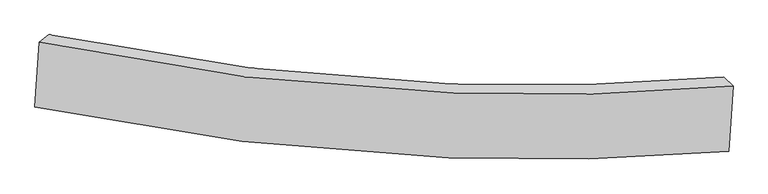
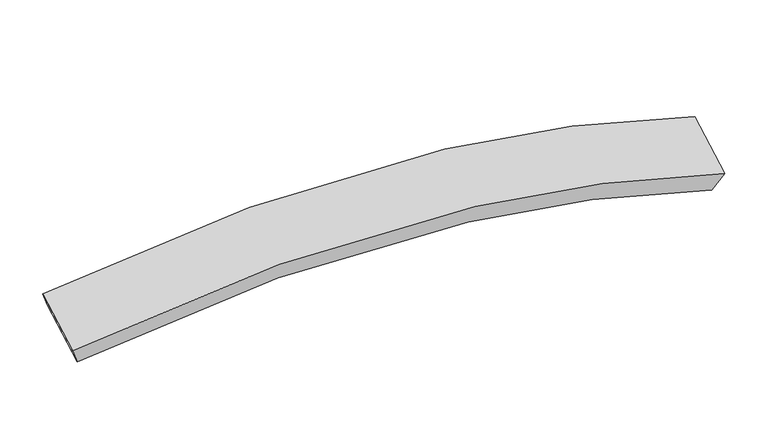
"""IFC4 building model written with IfcOpenShell, lengths in millimetres: proxy geometry."""

from ifc_helpers import new_model, si_unit, frame, origin, place, context, project, spatial, source, transform, mapped, element, save
from ifc_brep_helpers import plane_surface, spline_curve, spline_surface, advanced_brep


def generic_models_db684fbb(model_context):
    return source(origin(), model_context, "Body", "AdvancedBrep", [
        advanced_brep(
        [(2700.055434, -1570.0745795, 1283.2055264), (2738.1820299, -1023.4612456, 1499.8911041), (-3084.0904699, -653.6402498, 1573.4850029), (-3121.9699956, -1196.7113887, 1358.2036035), (2622.475225, -1494.3822668, 1105.9138094), (-3043.9321217, -1134.5742081, 1187.7246529), (2660.6018209, -947.7689329, 1322.5993871), (-3006.052596, -591.5030692, 1403.0060523)],
        [
            (0, 1),
            (1, 2, spline_curve(3, [(2738.1820299, -1023.4612456, 1499.8911041), (1957.717995249, -1091.224882797, 1794.558049227), (1174.239251011, -1111.161525074, 1973.642006654), (-763.078302014, -1042.461055701, 2130.059765984), (-1920.357057803, -899.250748039, 1975.507107982), (-3084.0904699, -653.6402498, 1573.4850029)], [4, 2, 4], [0.0, 7.9170525756599694, 19.501554471349106])),
            (2, 3),
            (3, 0, spline_curve(3, [(-3121.9699956, -1196.7113887, 1358.2036035), (-1958.210528799, -1441.948346992, 1760.373785161), (-800.950257121, -1585.423654825, 1914.821393264), (1136.261202897, -1655.64515964, 1757.800673173), (1919.676074073, -1636.624248843, 1578.353706137), (2700.055434, -1570.0745795, 1283.2055264)], [4, 2, 4], [0.0, 11.584501895689137, 19.501554471349106])),
            (4, 0),
            (3, 5),
            (5, 4, spline_curve(3, [(-3043.9321217, -1134.5742081, 1187.7246529), (-1910.875278009, -1370.383090401, 1571.513705651), (-784.383742694, -1508.436473437, 1717.697777042), (1100.91978869, -1576.274641034, 1563.798208851), (1863.230701926, -1558.157277359, 1390.343855939), (2622.475225, -1494.3822668, 1105.9138094)], [4, 2, 4], [0.0, 11.426643330280367, 19.23581258276314])),
            (6, 4),
            (5, 7),
            (7, 6, spline_curve(3, [(-3006.052596, -591.5030692, 1403.0060523), (-1873.021806967, -827.685491217, 1786.647028179), (-746.511787556, -965.473874203, 1932.93614996), (1138.897836782, -1031.791006376, 1779.639542366), (1901.272622855, -1012.757911131, 1606.548198993), (2660.6018209, -947.7689329, 1322.5993871)], [4, 2, 4], [0.0, 11.26883027217484, 18.970147301972744])),
            (1, 6),
            (7, 2),
        ],
        [
            spline_surface(3, 3, [[(2700.055434, -1570.0745795, 1283.2055264), (1919.676074168, -1636.624248912, 1578.35370626), (1136.261202865, -1655.64515966, 1757.800673239), (-800.950257073, -1585.423654795, 1914.821393166), (-1958.210528965, -1441.948347087, 1760.373785203), (-3121.9699956, -1196.7113887, 1358.2036035)], [(2712.764299293, -1387.87013489, 1355.434052294), (1932.356714478, -1454.824460214, 1650.421820589), (1148.92055224, -1474.150614791, 1829.747784419), (-788.326272063, -1404.43612172, 1986.567517402), (-1945.59270526, -1261.049147396, 1832.084892784), (-3109.343487021, -1015.687675732, 1429.964069978)], [(2725.473164607, -1205.66569021, 1427.662578206), (1945.037354808, -1273.024671446, 1722.489934937), (1161.579901639, -1292.656069989, 1901.69489557), (-775.70228703, -1223.44858871, 2058.313641609), (-1932.97488159, -1080.149947709, 1903.79600033), (-3096.716978479, -834.663962768, 1501.724536422)], [(2738.1820299, -1023.4612456, 1499.8911041), (1957.717995117, -1091.224882748, 1794.558049266), (1174.239251015, -1111.16152512, 1973.642006749), (-763.07830202, -1042.461055634, 2130.059765845), (-1920.357057884, -899.250748018, 1975.507107911), (-3084.0904699, -653.6402498, 1573.4850029)]], [4, 4], [4, 2, 4], [0.0, 1.9221069431345477], [0.0, 7.9170525756599694, 19.501554471349106]),
            spline_surface(3, 3, [[(2622.475225, -1494.3822668, 1105.9138094), (1863.230701946, -1558.157277379, 1390.343856005), (1100.919788628, -1576.27464092, 1563.798208796), (-784.383742604, -1508.436473604, 1717.697777123), (-1910.875278172, -1370.383090443, 1571.513705517), (-3043.9321217, -1134.5742081, 1187.7246529)], [(2648.335294665, -1519.613037702, 1165.0110484), (1882.045826019, -1584.312934559, 1453.01380609), (1112.700260048, -1602.731480516, 1628.465696916), (-789.905914086, -1534.09886735, 1783.40564911), (-1926.6536951, -1394.238175979, 1634.46706543), (-3069.94474633, -1155.286601622, 1244.550969784)], [(2674.195364335, -1544.843808598, 1224.1082874), (1900.860950096, -1610.468591733, 1515.683756175), (1124.480731445, -1629.188320065, 1693.133185119), (-795.428085591, -1559.76126105, 1849.11352118), (-1942.432112037, -1418.09326155, 1697.42042529), (-3095.95737097, -1175.998995178, 1301.377286616)], [(2700.055434, -1570.0745795, 1283.2055264), (1919.676074168, -1636.624248912, 1578.35370626), (1136.261202865, -1655.64515966, 1757.800673239), (-800.950257073, -1585.423654795, 1914.821393166), (-1958.210528965, -1441.948347087, 1760.373785203), (-3121.9699956, -1196.7113887, 1358.2036035)]], [4, 4], [4, 2, 4], [0.0, 0.6895425857992111], [0.0, 7.809169252482771, 19.23581258276314]),
            spline_surface(3, 3, [[(2660.6018209, -947.7689329, 1322.5993871), (1901.272622895, -1012.757911214, 1606.548199012), (1138.897836778, -1031.79100628, 1779.639542405), (-746.511787551, -965.473874343, 1932.936149902), (-1873.021807093, -827.685491374, 1786.647028225), (-3006.052596, -591.5030692, 1403.0060523)], [(2647.892955607, -1129.97337751, 1250.370861206), (1888.591982586, -1194.557699913, 1534.480084682), (1126.238487403, -1213.285551149, 1707.692431226), (-759.135772561, -1146.461407419, 1861.190025666), (-1885.639630798, -1008.584691065, 1714.935920644), (-3018.679104579, -772.526782168, 1331.245585822)], [(2635.184090293, -1312.17782219, 1178.142335294), (1875.911342255, -1376.357488681, 1462.411970335), (1113.579138004, -1394.780096052, 1635.745319975), (-771.759757594, -1327.448940528, 1789.443901359), (-1898.257454467, -1189.483890752, 1643.224813098), (-3031.305613121, -953.550495132, 1259.485119378)], [(2622.475225, -1494.3822668, 1105.9138094), (1863.230701946, -1558.157277379, 1390.343856005), (1100.919788628, -1576.27464092, 1563.798208796), (-784.383742604, -1508.436473604, 1717.697777123), (-1910.875278172, -1370.383090443, 1571.513705517), (-3043.9321217, -1134.5742081, 1187.7246529)]], [4, 4], [4, 2, 4], [0.0, 1.9221069431345479], [0.0, 7.701317029797904, 18.970147301972744]),
            spline_surface(3, 3, [[(2738.1820299, -1023.4612456, 1499.8911041), (1957.717995117, -1091.224882748, 1794.558049266), (1174.239251015, -1111.16152512, 1973.642006749), (-763.07830202, -1042.461055634, 2130.059765845), (-1920.357057884, -899.250748018, 1975.507107911), (-3084.0904699, -653.6402498, 1573.4850029)], [(2712.321960235, -998.230474698, 1440.7938651), (1938.902871045, -1065.069225568, 1731.888099181), (1162.458779594, -1084.704685525, 1908.974518629), (-757.556130539, -1016.798661889, 2064.351893858), (-1904.578640957, -875.395662481, 1912.553747998), (-3058.07784527, -632.927856278, 1516.658686016)], [(2686.461890565, -972.999703802, 1381.6966261), (1920.087746967, -1038.913568394, 1669.218149097), (1150.678308199, -1058.247845875, 1844.307030526), (-752.033959032, -991.136268089, 1998.644021889), (-1888.80022402, -851.540576911, 1849.600388138), (-3032.06522063, -612.215462722, 1459.832369184)], [(2660.6018209, -947.7689329, 1322.5993871), (1901.272622895, -1012.757911214, 1606.548199012), (1138.897836778, -1031.79100628, 1779.639542405), (-746.511787551, -965.473874343, 1932.936149902), (-1873.021807093, -827.685491374, 1786.647028225), (-3006.052596, -591.5030692, 1403.0060523)]], [4, 4], [4, 2, 4], [0.0, 0.6895425857987749], [0.0, 7.809182536731577, 19.23584530497879]),
            plane_surface(frame((-3064.0112958, -894.107229, 1380.6048279), z_axis=(-0.9163611260830593, 0.20113889002995755, -0.3461581048037218), x_axis=(0.3950891693108153, 0.314587338546603, -0.8630986934988693))),
            plane_surface(frame((2680.3286275, -1258.9217562, 1302.9024567), z_axis=(0.9254341260310753, 0.08208810782349017, -0.36990974700737367), x_axis=(-0.06470575629012176, -0.9276734087725429, -0.3677434047800912))),
        ],
        [
            (0, [[1, 2, 3, 4]]),
            (1, [[5, -4, 6, 7]]),
            (2, [[8, -7, 9, 10]]),
            (3, [[11, -10, 12, -2]]),
            (4, [[-12, -9, -6, -3]]),
            (5, [[-1, -5, -8, -11]]),
        ],
    ),
    ])


if __name__ == "__main__":
    model = new_model("IFC4")
    model_context = context("Model", 3, world=origin())
    ifc_project = project(units=[si_unit("LENGTHUNIT", "METRE", prefix="MILLI")], contexts=[model_context])
    site = spatial("IfcSite", under=ifc_project)
    building = spatial("IfcBuilding", under=site)
    placement = place(None, origin())
    generic_models_shape = generic_models_db684fbb(model_context)
    element("IfcBuildingElementProxy", 1, Name="Generic Models", at=placement, inside=building, context=model_context, shape_type="MappedRepresentation", body=[
        mapped(generic_models_shape, transform((0.0, 0.0, 0.0), x_axis=(1.0, 0.0, 0.0), y_axis=(0.0, 1.0, 0.0), z_axis=(0.0, 0.0, 1.0))),
    ])
    save(model, "model.ifc")
